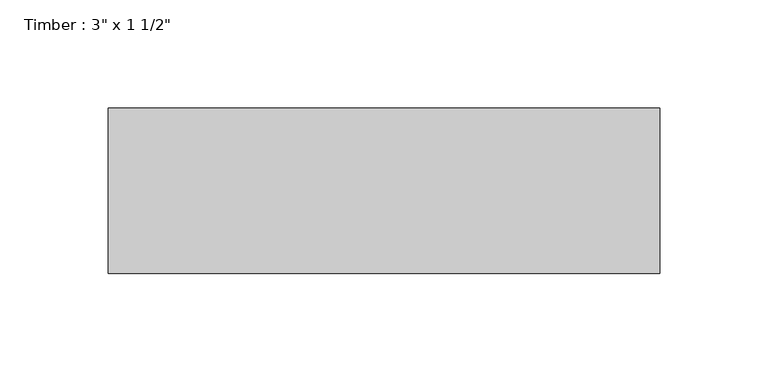
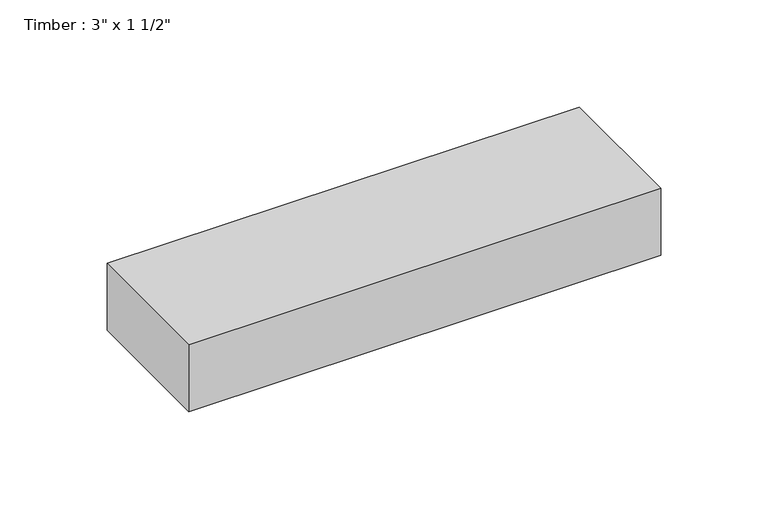
"""IFC4 building model written with IfcOpenShell, lengths in millimetres: beam geometry."""

import ifcopenshell
import ifcopenshell.guid

model = None  # the IFC model being written
_history = None  # IfcOwnerHistory: only IFC2X3 demands one
_inside = {}  # id of a spatial element -> (the spatial element, [elements in it])
_under = {}  # id of a project, library or spatial element -> (it, [spatial elements below it])
_declared = {}  # id of a project -> (the project, [libraries it declares])
_typed = {}  # id of a type object -> (the type object, [elements of that type])
_made_of = {}  # id of a material, layer set ... -> (it, [elements and type objects made of it])


def new_model(schema):
    """Start an empty IFC model of exactly this schema.

    Asked for "IFC4X3", IfcOpenShell would pick the latest addendum, in which some entities
    have other attributes; the version numbers below select the first issue.
    IFC2X3 requires an IfcOwnerHistory on every rooted entity: one is made here for all.
    """
    global model, _history
    if schema == "IFC4X3":
        model = ifcopenshell.file(schema_version=(4, 3, 0, 0))
    else:
        model = ifcopenshell.file(schema=schema)
    _inside.clear()
    _under.clear()
    _declared.clear()
    _typed.clear()
    _made_of.clear()
    _history = None
    if model.schema == "IFC2X3":
        org = make("IfcOrganization", Name="unknown")
        user = make(
            "IfcPersonAndOrganization",
            ThePerson=make("IfcPerson", FamilyName="unknown"),
            TheOrganization=org,
        )
        app = make(
            "IfcApplication",
            ApplicationDeveloper=org,
            Version="unknown",
            ApplicationFullName="unknown",
            ApplicationIdentifier="unknown",
        )
        _history = make(
            "IfcOwnerHistory",
            OwningUser=user,
            OwningApplication=app,
            ChangeAction="ADDED",
            CreationDate=0,
        )
    return model


def make(cls, **values):
    """One entity of the class cls with the attributes given. An attribute that is None is left unset."""
    return model.create_entity(
        cls, **{name: value for name, value in values.items() if value is not None}
    )


def rooted(cls, **values):
    """An entity with a GlobalId (a new one), such as an element, a storey or a relation."""
    return make(cls, GlobalId=ifcopenshell.guid.new(), OwnerHistory=_history, **values)


def si_unit(unit_type, name, prefix=None):
    """IfcSIUnit, for example si_unit("LENGTHUNIT", "METRE", prefix="MILLI")."""
    return make("IfcSIUnit", UnitType=unit_type, Prefix=prefix, Name=name)


def assignment(units):
    """IfcUnitAssignment: the units of a project."""
    return None if units is None else make("IfcUnitAssignment", Units=units)


def point(xyz):
    """IfcCartesianPoint."""
    return None if xyz is None else make("IfcCartesianPoint", Coordinates=xyz)


def direction(xyz):
    """IfcDirection."""
    return None if xyz is None else make("IfcDirection", DirectionRatios=xyz)


def frame(location, z_axis=None, x_axis=None):
    """IfcAxis2Placement3D, a coordinate frame: its origin and axes. An axis left out is left unset."""
    return make(
        "IfcAxis2Placement3D",
        Location=point(location),
        Axis=direction(z_axis),
        RefDirection=direction(x_axis),
    )


def origin():
    """The frame at (0, 0, 0) with its axes left unset."""
    return frame((0.0, 0.0, 0.0))


def place(relative_to, where):
    """IfcLocalPlacement: puts the frame where relative to a parent placement (None: the world)."""
    return make(
        "IfcLocalPlacement", PlacementRelTo=relative_to, RelativePlacement=where
    )


def context(
    kind, dimensions, precision=None, world=None, true_north=None, identifier=None
):
    """IfcGeometricRepresentationContext, for example the 3D "Model" context."""
    return make(
        "IfcGeometricRepresentationContext",
        ContextIdentifier=identifier,
        ContextType=kind,
        CoordinateSpaceDimension=dimensions,
        Precision=precision,
        WorldCoordinateSystem=world,
        TrueNorth=true_north,
    )


def project(units=None, contexts=None):
    """IfcProject with its units and contexts."""
    return rooted(
        "IfcProject",
        Name="project",
        RepresentationContexts=contexts,
        UnitsInContext=assignment(units),
    )


def spatial(cls, under=None, at=None, **own):
    """A site, building, storey or space (cls), placed at a placement, below another one or the project."""
    s = rooted(cls, ObjectPlacement=at, **own)
    if under is not None:
        _under.setdefault(under.id(), (under, []))[1].append(s)
    return s


def polyline(points):
    """IfcPolyline through the points."""
    return make("IfcPolyline", Points=[point(p) for p in points])


def outline(outer, holes=None, kind="AREA"):
    """IfcArbitraryClosedProfileDef: a profile drawn as a closed curve; with holes, ...WithVoids."""
    if holes is None:
        return make("IfcArbitraryClosedProfileDef", ProfileType=kind, OuterCurve=outer)
    return make(
        "IfcArbitraryProfileDefWithVoids",
        ProfileType=kind,
        OuterCurve=outer,
        InnerCurves=holes,
    )


def extrude(swept, where, along, depth):
    """IfcExtrudedAreaSolid: the profile swept, set in the frame where, extruded along a direction by depth."""
    return make(
        "IfcExtrudedAreaSolid",
        SweptArea=swept,
        Position=where,
        ExtrudedDirection=direction(along),
        Depth=depth,
    )


def shape(context_of_items, identifier, shape_type, items):
    """IfcShapeRepresentation: the items that make up one representation, for example the "Body"."""
    return make(
        "IfcShapeRepresentation",
        ContextOfItems=context_of_items,
        RepresentationIdentifier=identifier,
        RepresentationType=shape_type,
        Items=items,
    )


def source(mapping_origin, context_of_items, identifier, shape_type, items):
    """IfcRepresentationMap: a shape defined once, which mapped items show again and again."""
    return make(
        "IfcRepresentationMap",
        MappingOrigin=mapping_origin,
        MappedRepresentation=shape(context_of_items, identifier, shape_type, items),
    )


def transform(
    local_origin,
    x_axis=None,
    y_axis=None,
    z_axis=None,
    scale=None,
    scale2=None,
    scale3=None,
    uniform=True,
):
    """IfcCartesianTransformationOperator3D, or its non-uniform kind. x_axis, y_axis, z_axis: its Axis1, 2, 3."""
    if uniform:
        return make(
            "IfcCartesianTransformationOperator3D",
            Axis1=direction(x_axis),
            Axis2=direction(y_axis),
            LocalOrigin=point(local_origin),
            Scale=scale,
            Axis3=direction(z_axis),
        )
    return make(
        "IfcCartesianTransformationOperator3DnonUniform",
        Axis1=direction(x_axis),
        Axis2=direction(y_axis),
        LocalOrigin=point(local_origin),
        Scale=scale,
        Axis3=direction(z_axis),
        Scale2=scale2,
        Scale3=scale3,
    )


def mapped(mapping_source, mapping_target):
    """IfcMappedItem: shows the shape of a source again, moved by a transform."""
    return make(
        "IfcMappedItem", MappingSource=mapping_source, MappingTarget=mapping_target
    )


def made_of(thing, what):
    """Note that an element or type object is made of a material, layer set ...; save() writes the relation."""
    if what is not None:
        _made_of.setdefault(what.id(), (what, []))[1].append(thing)
    return thing


def element(
    cls,
    number,
    at=None,
    inside=None,
    cuts=None,
    type_object=None,
    material=None,
    context=None,
    identifier="Body",
    shape_type=None,
    held_by="IfcProductDefinitionShape",
    body=None,
    shapes=None,
    **own,
):
    """One element of the class cls, such as IfcWall. Its Tag is "e" and its number.

    at: its placement. inside: the storey or other place that contains it. cuts: it is an
    opening in that element (IfcRelVoidsElement). A single representation is given by context,
    identifier, shape_type and body (its items); several are given by shapes. held_by: the class
    of the entity that holds the representations. save() writes the other relations.
    """
    e = rooted(cls, Tag="e%d" % number, ObjectPlacement=at, **own)
    if body is not None:
        shapes = [shape(context, identifier, shape_type, body)]
    if shapes is not None:
        e.Representation = make(held_by, Representations=shapes)
    if inside is not None:
        _inside.setdefault(inside.id(), (inside, []))[1].append(e)
    if cuts is not None:
        rooted(
            "IfcRelVoidsElement", RelatingBuildingElement=cuts, RelatedOpeningElement=e
        )
    if type_object is not None:
        _typed.setdefault(type_object.id(), (type_object, []))[1].append(e)
    return made_of(e, material)


def aggregate(whole, parts):
    """IfcRelAggregates: a whole, such as a stair, and the parts it consists of."""
    return rooted("IfcRelAggregates", RelatingObject=whole, RelatedObjects=parts)


def save(model, path):
    """Write the relations noted so far, then the file.

    IfcRelAggregates (storeys below a building ...), IfcRelContainedInSpatialStructure (elements
    in a storey), IfcRelDefinesByType, IfcRelAssociatesMaterial and IfcRelDeclares: one each for
    every whole, place, type object, material and project.
    """
    for whole, parts in _under.values():
        aggregate(whole, parts)
    for where, things in _inside.values():
        rooted(
            "IfcRelContainedInSpatialStructure",
            RelatedElements=things,
            RelatingStructure=where,
        )
    for kind, things in _typed.values():
        rooted("IfcRelDefinesByType", RelatedObjects=things, RelatingType=kind)
    for what, things in _made_of.values():
        rooted("IfcRelAssociatesMaterial", RelatedObjects=things, RelatingMaterial=what)
    for by, libraries in _declared.values():
        rooted("IfcRelDeclares", RelatingContext=by, RelatedDefinitions=libraries)
    model.write(path)


def beam_5fe60ff9(model_context):
    return source(origin(), model_context, "Body", "SweptSolid", [
        extrude(outline(polyline([(127.0, 38.1), (127.0, -38.1), (-127.0, -38.1), (-127.0, 38.1), (127.0, 38.1)])), frame((0.0, 0.0, -19.05), z_axis=(0.0, 0.0, 1.0), x_axis=(1.0, 0.0, 0.0)), (0.0, 0.0, 1.0), 38.1),
    ])


if __name__ == "__main__":
    model = new_model("IFC4")
    model_context = context("Model", 3, world=origin())
    ifc_project = project(units=[si_unit("LENGTHUNIT", "METRE", prefix="MILLI")], contexts=[model_context])
    site = spatial("IfcSite", under=ifc_project)
    building = spatial("IfcBuilding", under=site)
    placement = place(None, origin())
    beam_shape = beam_5fe60ff9(model_context)
    element("IfcBeam", 1, ObjectType="Timber : 3\" x 1 1/2\"", at=placement, inside=building, context=model_context, shape_type="MappedRepresentation", body=[
        mapped(beam_shape, transform((0.0, 0.0, 0.0), x_axis=(1.0, 0.0, 0.0), y_axis=(0.0, 1.0, 0.0), z_axis=(0.0, 0.0, 1.0))),
    ])
    save(model, "model.ifc")
